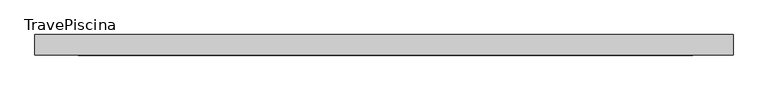
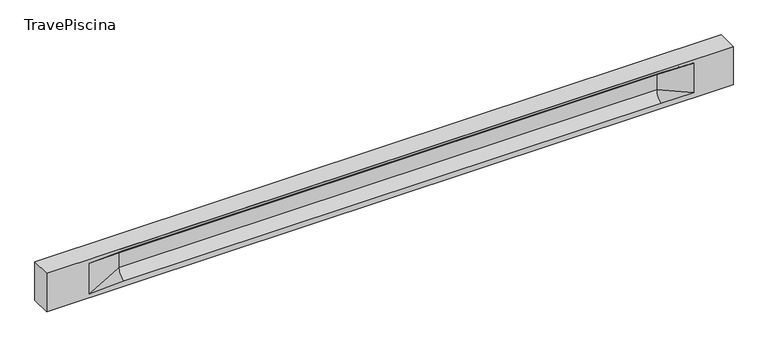
"""IFC4 building model written with IfcOpenShell, lengths in millimetres: beam geometry, TravePiscina."""

from ifc_helpers import new_model, si_unit, frame, origin, place, context, project, spatial, polyline, circle_curve, source, transform, mapped, element, save
from ifc_brep_helpers import plane_surface, revolved_surface, spline_surface, advanced_brep


def travepiscina_1770c7d7(model_context):
    return source(origin(), model_context, "Body", "AdvancedBrep", [
        advanced_brep(
        [(8478.5, -250.0, 500.0), (8478.5, -250.0, -500.0), (8478.5, 250.0, -500.0), (8478.5, 250.0, 500.0), (-8478.5, -250.0, 500.0), (-8478.5, -250.0, -500.0), (7503.5, -250.0, -362.0), (6703.5, -250.0, -360.0), (-6578.5, -250.0, -360.0), (-7428.5, -250.0, -400.0), (-7428.5, -250.0, 400.0), (-6578.5, -250.0, 435.0), (6703.5, -250.0, 435.0), (7503.5, -250.0, 400.0), (-8478.5, 250.0, -500.0), (-8478.5, 250.0, 500.0), (7503.5, 250.0, 400.0), (6703.5, 250.0, 435.0), (-6578.5, 250.0, 435.0), (-7428.5, 250.0, 400.0), (-7428.5, 250.0, -400.0), (-6578.5, 250.0, -360.0), (6703.5, 250.0, -360.0), (7503.5, 250.0, -362.0), (6703.5, 155.0, 405.0), (-6578.5, 155.0, 405.0), (-6578.5, -60.0, 262.777021), (6703.5, -60.0, 262.777021), (6703.5, -155.0, 405.0), (-6578.5, -155.0, 405.0), (-6578.5, 60.0, 262.777021), (6703.5, 60.0, 262.777021), (6703.5, 60.0, -120.0), (-6578.5, 60.0, -120.0), (-6578.5, -60.0, -120.0), (6703.5, -60.0, -120.0)],
        [
            (0, 1),
            (1, 2),
            (2, 3),
            (3, 0),
            (0, 4),
            (4, 5),
            (5, 1),
            (6, 7),
            (7, 8),
            (8, 9),
            (9, 10),
            (10, 11),
            (11, 12),
            (12, 13),
            (13, 6),
            (5, 14),
            (14, 2),
            (14, 15),
            (15, 3),
            (16, 17),
            (17, 18),
            (18, 19),
            (19, 20),
            (20, 21),
            (21, 22),
            (22, 23),
            (23, 16),
            (15, 4),
            (17, 24),
            (24, 25),
            (25, 18),
            (26, 27),
            (27, 28, circle_curve(frame((6703.5, -213.9598725, 262.777021), z_axis=(1.0, 0.0, 0.0), x_axis=(0.0, 1.0, 0.0)), 153.9598725)),
            (28, 29),
            (29, 26, circle_curve(frame((-6578.5, -213.9598725, 262.777021), z_axis=(-1.0, 0.0, 0.0), x_axis=(0.0, 1.0, 0.0)), 153.9598725)),
            (30, 31),
            (31, 32),
            (32, 33),
            (33, 30),
            (28, 12),
            (11, 29),
            (34, 35),
            (35, 27),
            (26, 34),
            (25, 19),
            (22, 32, circle_curve(frame((6703.5, 306.5789474, -120.0), z_axis=(-1.0, 0.0, 0.0), x_axis=(0.0, 1.0, 0.0)), 246.5789474)),
            (32, 23),
            (10, 29),
            (10, 26),
            (13, 28),
            (27, 13),
            (30, 19),
            (25, 30, circle_curve(frame((-6578.5, 213.9598725, 262.777021), z_axis=(1.0, 0.0, 0.0), x_axis=(0.0, 1.0, 0.0)), 153.9598725)),
            (9, 34),
            (8, 34, circle_curve(frame((-6578.5, -306.5789474, -120.0), z_axis=(1.0, 0.0, 0.0), x_axis=(0.0, 1.0, 0.0)), 246.5789474)),
            (20, 33),
            (33, 21, circle_curve(frame((-6578.5, 306.5789474, -120.0), z_axis=(1.0, 0.0, 0.0), x_axis=(0.0, 1.0, 0.0)), 246.5789474)),
            (35, 6),
            (35, 7, circle_curve(frame((6703.5, -306.5789474, -120.0), z_axis=(-1.0, 0.0, 0.0), x_axis=(0.0, 1.0, 0.0)), 246.5789474)),
            (31, 16),
            (31, 24, circle_curve(frame((6703.5, 213.9598725, 262.777021), z_axis=(-1.0, 0.0, 0.0), x_axis=(0.0, 1.0, 0.0)), 153.9598725)),
            (24, 16),
        ],
        [
            plane_surface(frame((8478.5, 0.0, 0.0), z_axis=(1.0, 0.0, 0.0), x_axis=(0.0, 0.0, 1.0))),
            plane_surface(frame((8478.5, -250.0, 500.0), z_axis=(0.0, -1.0, 0.0), x_axis=(-1.0, 0.0, 0.0))),
            plane_surface(frame((8478.5, -250.0, -500.0), z_axis=(0.0, 0.0, -1.0), x_axis=(-1.0, 0.0, 0.0))),
            plane_surface(frame((8478.5, 250.0, -500.0), z_axis=(0.0, 1.0, 0.0), x_axis=(-1.0, 0.0, 0.0))),
            plane_surface(frame((8478.5, 250.0, 500.0), z_axis=(0.0, 0.0, 1.0), x_axis=(-1.0, 0.0, 0.0))),
            plane_surface(frame((-6578.5, 250.0, 435.0), z_axis=(0.0, 0.30113136793710954, -0.9535826651341378), x_axis=(1.0, 0.0, 0.0))),
            plane_surface(frame((-8478.5, 0.0, 0.0), z_axis=(-1.0, 0.0, 0.0), x_axis=(0.0, 0.0, 1.0))),
            revolved_surface(polyline([(6703.5, -60.0, 262.777021), (-6578.5, -60.0, 262.777021)]), (-6578.5, -213.9598725, 262.777021), (1.0, 0.0, 0.0)),
            plane_surface(frame((-6578.5, 60.0, 262.777021), z_axis=(0.0, 1.0, 0.0), x_axis=(1.0, 0.0, 0.0))),
            plane_surface(frame((-6578.5, -155.0, 405.0), z_axis=(0.0, -0.30113136793710693, -0.9535826651341387), x_axis=(1.0, 0.0, 0.0))),
            plane_surface(frame((-6578.5, -60.0, -120.0), z_axis=(0.0, -1.0, 0.0), x_axis=(1.0, 0.0, 0.0))),
            plane_surface(frame((-7428.5, 250.0, 400.0), z_axis=(0.03923493491469434, 0.30089950084952793, -0.9528484193567961), x_axis=(0.0, 0.9535826651341378, 0.30113136793710954))),
            spline_surface(2, 1, [[(6703.5, 250.0, -360.0), (7503.5, 250.0, -362.0)], [(6703.5, 60.00000002887427, -315.20833329480604), (7503.5, 250.0, -362.0)], [(6703.5, 60.0, -120.0), (7503.5, 250.0, -362.0)]], [3, 3], [2, 2], [0.0, 1.0], [0.0, 1.0], weights=[[1.0, 1.0], [0.7840458245391329, 0.7840458245391329], [1.0, 1.0]]),
            plane_surface(frame((-7428.5, -250.0, 400.0), z_axis=(0.03923493491469438, -0.3008995008495253, -0.952848419356797), x_axis=(0.0, 0.9535826651341387, -0.30113136793710693))),
            spline_surface(2, 1, [[(-7428.5, -250.0, 400.0), (-6578.5, -155.0, 405.0)], [(-7428.5, -250.0, 400.0), (-6578.5, -60.00000008030692, 365.6168572114734)], [(-7428.5, -250.0, 400.0), (-6578.5, -60.0, 262.777021)]], [3, 3], [2, 2], [0.0, 1.0], [0.0, 1.0], weights=[[1.0, 1.0], [0.8315515924557569, 0.8315515924557569], [1.0, 1.0]]),
            spline_surface(2, 1, [[(6703.5, -155.0, 405.0), (7503.5, -250.0, 400.0)], [(6703.5, -60.00000008030692, 365.6168572114734), (7503.5, -250.0, 400.0)], [(6703.5, -60.0, 262.777021), (7503.5, -250.0, 400.0)]], [3, 3], [2, 2], [0.0, 1.0], [0.0, 1.0], weights=[[1.0, 1.0], [0.8315515924557569, 0.8315515924557569], [1.0, 1.0]]),
            plane_surface(frame((6703.5, -202.5, 420.0), z_axis=(-0.04168298285568769, -0.30086965068766125, -0.9527538938442274), x_axis=(0.0, 0.9535826651341387, -0.30113136793710693))),
            spline_surface(2, 1, [[(-7428.5, 250.0, 400.0), (-6578.5, 60.0, 262.777021)], [(-7428.5, 250.0, 400.0), (-6578.5, 59.99999995452379, 365.6168572954922)], [(-7428.5, 250.0, 400.0), (-6578.5, 155.0, 405.0)]], [3, 3], [2, 2], [0.0, 1.0], [0.0, 1.0], weights=[[1.0, 1.0], [0.8315515921160737, 0.8315515921160737], [1.0, 1.0]]),
            plane_surface(frame((-7428.5, -250.0, 0.0), z_axis=(0.2181459637070523, -0.9759161534262671, 0.0), x_axis=(0.0, 0.0, -1.0))),
            spline_surface(2, 1, [[(-7428.5, -250.0, -400.0), (-6578.5, -60.0, -120.0)], [(-7428.5, -250.0, -400.0), (-6578.5, -59.99999998020837, -315.20833333333337)], [(-7428.5, -250.0, -400.0), (-6578.5, -250.0, -360.0)]], [3, 3], [2, 2], [0.0, 1.0], [0.0, 1.0], weights=[[1.0, 1.0], [0.7840458244617614, 0.7840458244617614], [1.0, 1.0]]),
            spline_surface(2, 1, [[(-7428.5, 250.0, -400.0), (-6578.5, 250.0, -360.0)], [(-7428.5, 250.0, -400.0), (-6578.5, 60.00000002887427, -315.20833329480604)], [(-7428.5, 250.0, -400.0), (-6578.5, 60.0, -120.0)]], [3, 3], [2, 2], [0.0, 1.0], [0.0, 1.0], weights=[[1.0, 1.0], [0.7840458245391329, 0.7840458245391329], [1.0, 1.0]]),
            plane_surface(frame((-7428.5, 250.0, 0.0), z_axis=(0.21814596370704822, 0.9759161534262681, 0.0), x_axis=(0.0, 0.0, 1.0))),
            plane_surface(frame((6703.5, -60.0, 71.3885105), z_axis=(-0.23107243079589854, -0.97293655071956, 0.0), x_axis=(0.0, 0.0, -1.0))),
            spline_surface(2, 1, [[(6703.5, -60.0, -120.0), (7503.5, -250.0, -362.0)], [(6703.5, -59.99999998020837, -315.20833333333337), (7503.5, -250.0, -362.0)], [(6703.5, -250.0, -360.0), (7503.5, -250.0, -362.0)]], [3, 3], [2, 2], [0.0, 1.0], [0.0, 1.0], weights=[[1.0, 1.0], [0.7840458244617614, 0.7840458244617614], [1.0, 1.0]]),
            plane_surface(frame((6703.5, 60.0, 71.3885105), z_axis=(-0.2310724307958921, 0.9729365507195614, 0.0), x_axis=(0.0, 0.0, 1.0))),
            spline_surface(2, 1, [[(6703.5, 60.0, 262.777021), (7503.5, 250.0, 400.0)], [(6703.5, 59.99999995452379, 365.6168572954922), (7503.5, 250.0, 400.0)], [(6703.5, 155.0, 405.0), (7503.5, 250.0, 400.0)]], [3, 3], [2, 2], [0.0, 1.0], [0.0, 1.0], weights=[[1.0, 1.0], [0.8315515921160737, 0.8315515921160737], [1.0, 1.0]]),
            plane_surface(frame((6703.5, 202.5, 420.0), z_axis=(-0.041682982855686945, 0.30086965068766386, -0.9527538938442265), x_axis=(0.0, 0.9535826651341378, 0.30113136793710954))),
            revolved_surface(polyline([(6703.5, 367.919745, 262.777021), (-6578.5, 367.919745, 262.777021)]), (-6578.5, 213.9598725, 262.777021), (1.0, 0.0, 0.0)),
            revolved_surface(polyline([(6703.5, 553.1578948, -120.0), (-6578.5, 553.1578948, -120.0)]), (-6578.5, 306.5789474, -120.0), (1.0, 0.0, 0.0)),
            revolved_surface(polyline([(6703.5, -60.0, -120.0), (-6578.5, -60.0, -120.0)]), (-6578.5, -306.5789474, -120.0), (1.0, 0.0, 0.0)),
        ],
        [
            (0, [[1, 2, 3, 4]]),
            (1, [[-1, 5, 6, 7], [8, 9, 10, 11, 12, 13, 14, 15]]),
            (2, [[-2, -7, 16, 17]]),
            (3, [[-3, -17, 18, 19], [20, 21, 22, 23, 24, 25, 26, 27]]),
            (4, [[-5, -4, -19, 28]]),
            (5, [[-21, 29, 30, 31]]),
            (6, [[-28, -18, -16, -6]]),
            (7, [[32, 33, 34, 35]]),
            (8, [[36, 37, 38, 39]]),
            (9, [[-34, 40, -13, 41]]),
            (10, [[42, 43, -32, 44]]),
            (11, [[45, -22, -31]]),
            (12, [[-26, 46, 47]]),
            (13, [[-12, 48, -41]]),
            (14, [[-48, 49, -35]]),
            (15, [[50, -33, 51]]),
            (16, [[-14, -40, -50]]),
            (17, [[52, -45, 53]]),
            (18, [[-49, -11, 54, -44]]),
            (19, [[-54, -10, 55]]),
            (20, [[-24, 56, 57]]),
            (21, [[-52, -39, -56, -23]]),
            (22, [[-51, -43, 58, -15]]),
            (23, [[-58, 59, -8]]),
            (24, [[-47, -37, 60, -27]]),
            (25, [[-60, 61, 62]]),
            (26, [[-62, -29, -20]]),
            (27, [[-30, -61, -36, -53]]),
            (28, [[-38, -46, -25, -57]]),
            (29, [[-9, -59, -42, -55]]),
        ],
    ),
    ])


if __name__ == "__main__":
    model = new_model("IFC4")
    model_context = context("Model", 3, world=origin())
    ifc_project = project(units=[si_unit("LENGTHUNIT", "METRE", prefix="MILLI")], contexts=[model_context])
    site = spatial("IfcSite", under=ifc_project)
    building = spatial("IfcBuilding", under=site)
    placement = place(None, origin())
    travepiscina_shape = travepiscina_1770c7d7(model_context)
    element("IfcBeam", 1, ObjectType="TravePiscina", at=placement, inside=building, context=model_context, shape_type="MappedRepresentation", body=[
        mapped(travepiscina_shape, transform((0.0, 0.0, 0.0), x_axis=(1.0, 0.0, 0.0), y_axis=(0.0, 1.0, 0.0), z_axis=(0.0, 0.0, 1.0))),
    ])
    save(model, "model.ifc")
